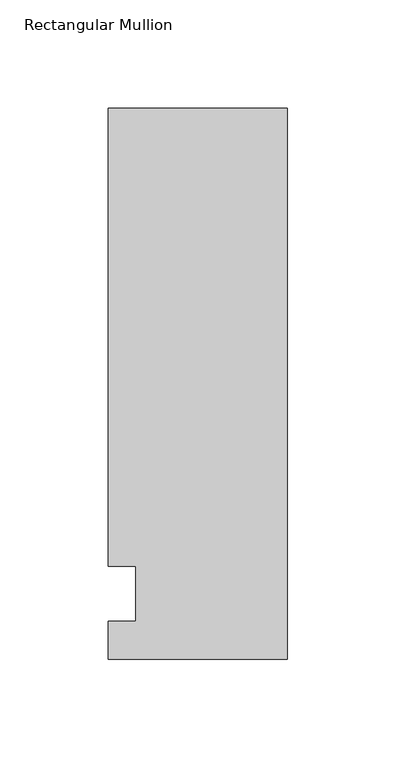
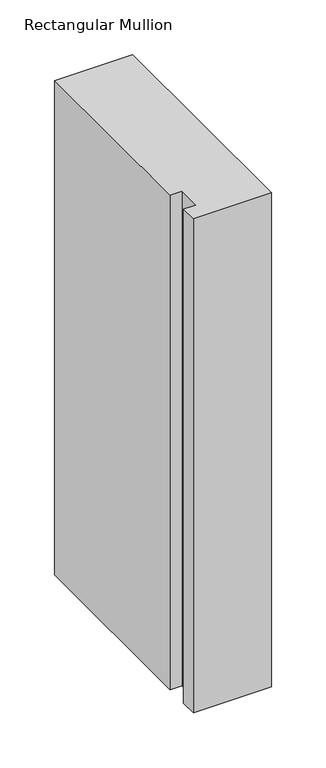
"""IFC4 building model written with IfcOpenShell, lengths in millimetres: member geometry, Rectangular Mullion."""

import ifcopenshell
import ifcopenshell.guid

model = None  # the IFC model being written
_history = None  # IfcOwnerHistory: only IFC2X3 demands one
_inside = {}  # id of a spatial element -> (the spatial element, [elements in it])
_under = {}  # id of a project, library or spatial element -> (it, [spatial elements below it])
_declared = {}  # id of a project -> (the project, [libraries it declares])
_typed = {}  # id of a type object -> (the type object, [elements of that type])
_made_of = {}  # id of a material, layer set ... -> (it, [elements and type objects made of it])


def new_model(schema):
    """Start an empty IFC model of exactly this schema.

    Asked for "IFC4X3", IfcOpenShell would pick the latest addendum, in which some entities
    have other attributes; the version numbers below select the first issue.
    IFC2X3 requires an IfcOwnerHistory on every rooted entity: one is made here for all.
    """
    global model, _history
    if schema == "IFC4X3":
        model = ifcopenshell.file(schema_version=(4, 3, 0, 0))
    else:
        model = ifcopenshell.file(schema=schema)
    _inside.clear()
    _under.clear()
    _declared.clear()
    _typed.clear()
    _made_of.clear()
    _history = None
    if model.schema == "IFC2X3":
        org = make("IfcOrganization", Name="unknown")
        user = make(
            "IfcPersonAndOrganization",
            ThePerson=make("IfcPerson", FamilyName="unknown"),
            TheOrganization=org,
        )
        app = make(
            "IfcApplication",
            ApplicationDeveloper=org,
            Version="unknown",
            ApplicationFullName="unknown",
            ApplicationIdentifier="unknown",
        )
        _history = make(
            "IfcOwnerHistory",
            OwningUser=user,
            OwningApplication=app,
            ChangeAction="ADDED",
            CreationDate=0,
        )
    return model


def make(cls, **values):
    """One entity of the class cls with the attributes given. An attribute that is None is left unset."""
    return model.create_entity(
        cls, **{name: value for name, value in values.items() if value is not None}
    )


def rooted(cls, **values):
    """An entity with a GlobalId (a new one), such as an element, a storey or a relation."""
    return make(cls, GlobalId=ifcopenshell.guid.new(), OwnerHistory=_history, **values)


def si_unit(unit_type, name, prefix=None):
    """IfcSIUnit, for example si_unit("LENGTHUNIT", "METRE", prefix="MILLI")."""
    return make("IfcSIUnit", UnitType=unit_type, Prefix=prefix, Name=name)


def assignment(units):
    """IfcUnitAssignment: the units of a project."""
    return None if units is None else make("IfcUnitAssignment", Units=units)


def point(xyz):
    """IfcCartesianPoint."""
    return None if xyz is None else make("IfcCartesianPoint", Coordinates=xyz)


def direction(xyz):
    """IfcDirection."""
    return None if xyz is None else make("IfcDirection", DirectionRatios=xyz)


def frame(location, z_axis=None, x_axis=None):
    """IfcAxis2Placement3D, a coordinate frame: its origin and axes. An axis left out is left unset."""
    return make(
        "IfcAxis2Placement3D",
        Location=point(location),
        Axis=direction(z_axis),
        RefDirection=direction(x_axis),
    )


def origin():
    """The frame at (0, 0, 0) with its axes left unset."""
    return frame((0.0, 0.0, 0.0))


def place(relative_to, where):
    """IfcLocalPlacement: puts the frame where relative to a parent placement (None: the world)."""
    return make(
        "IfcLocalPlacement", PlacementRelTo=relative_to, RelativePlacement=where
    )


def context(
    kind, dimensions, precision=None, world=None, true_north=None, identifier=None
):
    """IfcGeometricRepresentationContext, for example the 3D "Model" context."""
    return make(
        "IfcGeometricRepresentationContext",
        ContextIdentifier=identifier,
        ContextType=kind,
        CoordinateSpaceDimension=dimensions,
        Precision=precision,
        WorldCoordinateSystem=world,
        TrueNorth=true_north,
    )


def project(units=None, contexts=None):
    """IfcProject with its units and contexts."""
    return rooted(
        "IfcProject",
        Name="project",
        RepresentationContexts=contexts,
        UnitsInContext=assignment(units),
    )


def spatial(cls, under=None, at=None, **own):
    """A site, building, storey or space (cls), placed at a placement, below another one or the project."""
    s = rooted(cls, ObjectPlacement=at, **own)
    if under is not None:
        _under.setdefault(under.id(), (under, []))[1].append(s)
    return s


def polyline(points):
    """IfcPolyline through the points."""
    return make("IfcPolyline", Points=[point(p) for p in points])


def outline(outer, holes=None, kind="AREA"):
    """IfcArbitraryClosedProfileDef: a profile drawn as a closed curve; with holes, ...WithVoids."""
    if holes is None:
        return make("IfcArbitraryClosedProfileDef", ProfileType=kind, OuterCurve=outer)
    return make(
        "IfcArbitraryProfileDefWithVoids",
        ProfileType=kind,
        OuterCurve=outer,
        InnerCurves=holes,
    )


def extrude(swept, where, along, depth):
    """IfcExtrudedAreaSolid: the profile swept, set in the frame where, extruded along a direction by depth."""
    return make(
        "IfcExtrudedAreaSolid",
        SweptArea=swept,
        Position=where,
        ExtrudedDirection=direction(along),
        Depth=depth,
    )


def shape(context_of_items, identifier, shape_type, items):
    """IfcShapeRepresentation: the items that make up one representation, for example the "Body"."""
    return make(
        "IfcShapeRepresentation",
        ContextOfItems=context_of_items,
        RepresentationIdentifier=identifier,
        RepresentationType=shape_type,
        Items=items,
    )


def source(mapping_origin, context_of_items, identifier, shape_type, items):
    """IfcRepresentationMap: a shape defined once, which mapped items show again and again."""
    return make(
        "IfcRepresentationMap",
        MappingOrigin=mapping_origin,
        MappedRepresentation=shape(context_of_items, identifier, shape_type, items),
    )


def transform(
    local_origin,
    x_axis=None,
    y_axis=None,
    z_axis=None,
    scale=None,
    scale2=None,
    scale3=None,
    uniform=True,
):
    """IfcCartesianTransformationOperator3D, or its non-uniform kind. x_axis, y_axis, z_axis: its Axis1, 2, 3."""
    if uniform:
        return make(
            "IfcCartesianTransformationOperator3D",
            Axis1=direction(x_axis),
            Axis2=direction(y_axis),
            LocalOrigin=point(local_origin),
            Scale=scale,
            Axis3=direction(z_axis),
        )
    return make(
        "IfcCartesianTransformationOperator3DnonUniform",
        Axis1=direction(x_axis),
        Axis2=direction(y_axis),
        LocalOrigin=point(local_origin),
        Scale=scale,
        Axis3=direction(z_axis),
        Scale2=scale2,
        Scale3=scale3,
    )


def mapped(mapping_source, mapping_target):
    """IfcMappedItem: shows the shape of a source again, moved by a transform."""
    return make(
        "IfcMappedItem", MappingSource=mapping_source, MappingTarget=mapping_target
    )


def made_of(thing, what):
    """Note that an element or type object is made of a material, layer set ...; save() writes the relation."""
    if what is not None:
        _made_of.setdefault(what.id(), (what, []))[1].append(thing)
    return thing


def element(
    cls,
    number,
    at=None,
    inside=None,
    cuts=None,
    type_object=None,
    material=None,
    context=None,
    identifier="Body",
    shape_type=None,
    held_by="IfcProductDefinitionShape",
    body=None,
    shapes=None,
    **own,
):
    """One element of the class cls, such as IfcWall. Its Tag is "e" and its number.

    at: its placement. inside: the storey or other place that contains it. cuts: it is an
    opening in that element (IfcRelVoidsElement). A single representation is given by context,
    identifier, shape_type and body (its items); several are given by shapes. held_by: the class
    of the entity that holds the representations. save() writes the other relations.
    """
    e = rooted(cls, Tag="e%d" % number, ObjectPlacement=at, **own)
    if body is not None:
        shapes = [shape(context, identifier, shape_type, body)]
    if shapes is not None:
        e.Representation = make(held_by, Representations=shapes)
    if inside is not None:
        _inside.setdefault(inside.id(), (inside, []))[1].append(e)
    if cuts is not None:
        rooted(
            "IfcRelVoidsElement", RelatingBuildingElement=cuts, RelatedOpeningElement=e
        )
    if type_object is not None:
        _typed.setdefault(type_object.id(), (type_object, []))[1].append(e)
    return made_of(e, material)


def aggregate(whole, parts):
    """IfcRelAggregates: a whole, such as a stair, and the parts it consists of."""
    return rooted("IfcRelAggregates", RelatingObject=whole, RelatedObjects=parts)


def save(model, path):
    """Write the relations noted so far, then the file.

    IfcRelAggregates (storeys below a building ...), IfcRelContainedInSpatialStructure (elements
    in a storey), IfcRelDefinesByType, IfcRelAssociatesMaterial and IfcRelDeclares: one each for
    every whole, place, type object, material and project.
    """
    for whole, parts in _under.values():
        aggregate(whole, parts)
    for where, things in _inside.values():
        rooted(
            "IfcRelContainedInSpatialStructure",
            RelatedElements=things,
            RelatingStructure=where,
        )
    for kind, things in _typed.values():
        rooted("IfcRelDefinesByType", RelatedObjects=things, RelatingType=kind)
    for what, things in _made_of.values():
        rooted("IfcRelAssociatesMaterial", RelatedObjects=things, RelatingMaterial=what)
    for by, libraries in _declared.values():
        rooted("IfcRelDeclares", RelatingContext=by, RelatedDefinitions=libraries)
    model.write(path)


def rectangular_mullion_a8e0d814(model_context):
    return source(origin(), model_context, "Body", "SweptSolid", [
        extrude(outline(polyline([(41.275, 223.8375), (41.275, -30.1625), (-41.275, -30.1625), (-41.275, -12.7), (-28.575, -12.7), (-28.575, 12.7), (-41.275, 12.7), (-41.275, 223.8375), (41.275, 223.8375)])), frame((0.0, 0.0, -552.45), z_axis=(0.0, 0.0, 1.0), x_axis=(1.0, 0.0, 0.0)), (0.0, 0.0, 1.0), 552.45),
    ])


if __name__ == "__main__":
    model = new_model("IFC4")
    model_context = context("Model", 3, world=origin())
    ifc_project = project(units=[si_unit("LENGTHUNIT", "METRE", prefix="MILLI")], contexts=[model_context])
    site = spatial("IfcSite", under=ifc_project)
    building = spatial("IfcBuilding", under=site)
    placement = place(None, origin())
    rectangular_mullion_shape = rectangular_mullion_a8e0d814(model_context)
    element("IfcMember", 1, ObjectType="Rectangular Mullion", at=placement, inside=building, context=model_context, shape_type="MappedRepresentation", body=[
        mapped(rectangular_mullion_shape, transform((0.0, 0.0, 0.0), x_axis=(1.0, 0.0, 0.0), y_axis=(0.0, 1.0, 0.0), z_axis=(0.0, 0.0, 1.0))),
    ])
    save(model, "model.ifc")
